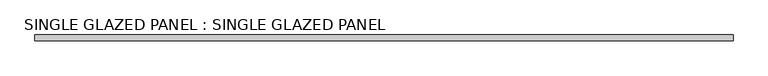
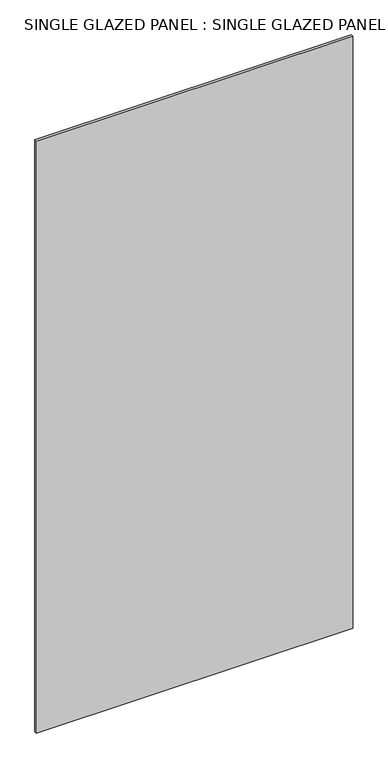
"""IFC4 building model written with IfcOpenShell, lengths in millimetres: plate geometry, SINGLE GLAZED PANEL : SINGLE GLAZED PANEL."""

from ifc_helpers import new_model, si_unit, origin, origin_with_axes, place, context, project, spatial, polyline, outline, extrude, source, transform, mapped, element, save


def single_glazed_panel_single_glazed_panel_e14e50d8(model_context):
    return source(origin(), model_context, "Body", "SweptSolid", [
        extrude(outline(polyline([(768.35, 6.35), (768.35, -6.35), (-768.35, -6.35), (-768.35, 6.35), (768.35, 6.35)])), origin_with_axes(), (0.0, 0.0, 1.0), 3041.65),
    ])


if __name__ == "__main__":
    model = new_model("IFC4")
    model_context = context("Model", 3, world=origin())
    ifc_project = project(units=[si_unit("LENGTHUNIT", "METRE", prefix="MILLI")], contexts=[model_context])
    site = spatial("IfcSite", under=ifc_project)
    building = spatial("IfcBuilding", under=site)
    placement = place(None, origin())
    single_glazed_panel_single_glazed_panel_shape = single_glazed_panel_single_glazed_panel_e14e50d8(model_context)
    element("IfcPlate", 1, ObjectType="SINGLE GLAZED PANEL : SINGLE GLAZED PANEL", at=placement, inside=building, context=model_context, shape_type="MappedRepresentation", body=[
        mapped(single_glazed_panel_single_glazed_panel_shape, transform((0.0, 0.0, 0.0), x_axis=(1.0, 0.0, 0.0), y_axis=(0.0, 1.0, 0.0), z_axis=(0.0, 0.0, 1.0))),
    ])
    save(model, "model.ifc")
